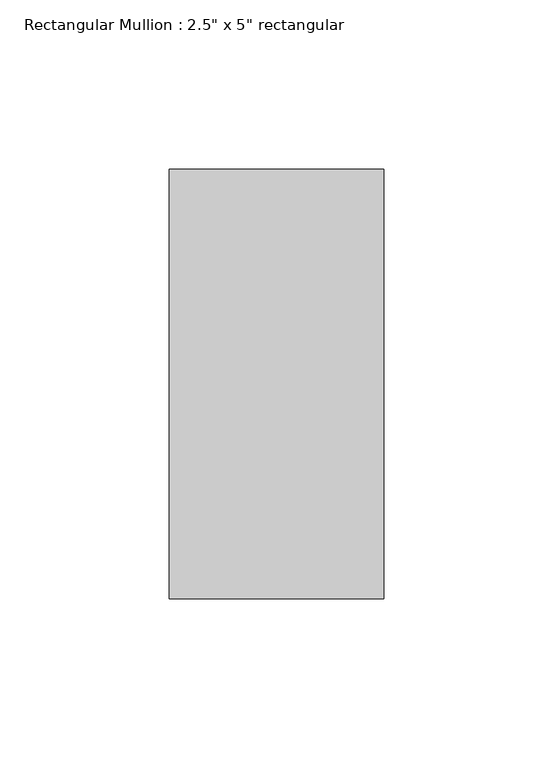
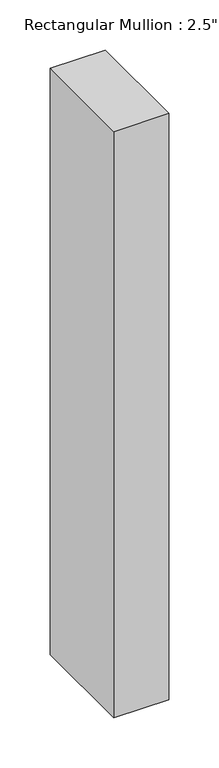
"""IFC4 building model written with IfcOpenShell, lengths in millimetres: member geometry."""

from ifc_helpers import new_model, si_unit, frame, origin, place, context, project, spatial, polyline, outline, extrude, source, transform, mapped, element, save


def member_29f932dd(model_context):
    return source(origin(), model_context, "Body", "SweptSolid", [
        extrude(outline(polyline([(31.75, 63.5), (31.75, -63.5), (-31.75, -63.5), (-31.75, 63.5), (31.75, 63.5)])), frame((0.0, 0.0, -714.5661213), z_axis=(0.0, 0.0, 1.0), x_axis=(1.0, 0.0, 0.0)), (0.0, 0.0, 1.0), 714.5661213),
    ])


if __name__ == "__main__":
    model = new_model("IFC4")
    model_context = context("Model", 3, world=origin())
    ifc_project = project(units=[si_unit("LENGTHUNIT", "METRE", prefix="MILLI")], contexts=[model_context])
    site = spatial("IfcSite", under=ifc_project)
    building = spatial("IfcBuilding", under=site)
    placement = place(None, origin())
    member_shape = member_29f932dd(model_context)
    element("IfcMember", 1, ObjectType="Rectangular Mullion : 2.5\" x 5\" rectangular", at=placement, inside=building, context=model_context, shape_type="MappedRepresentation", body=[
        mapped(member_shape, transform((0.0, 0.0, 0.0), x_axis=(1.0, 0.0, 0.0), y_axis=(0.0, 1.0, 0.0), z_axis=(0.0, 0.0, 1.0))),
    ])
    save(model, "model.ifc")
